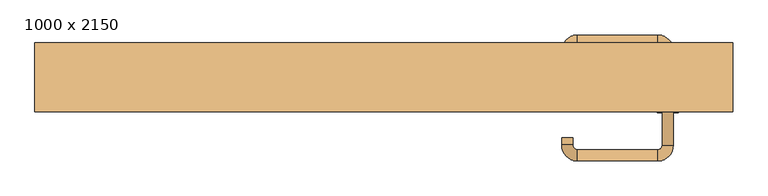
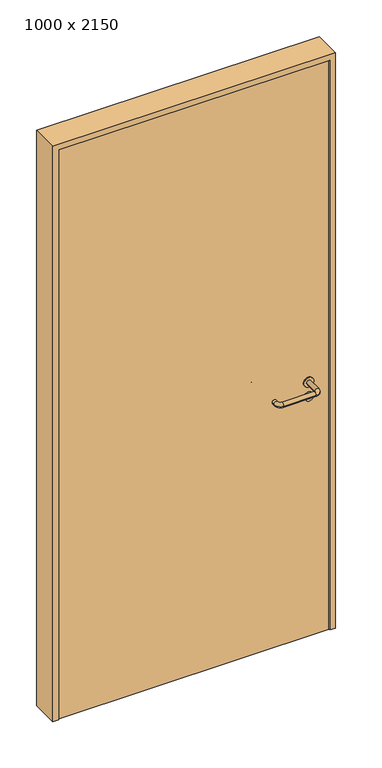
"""IFC4 building model written with IfcOpenShell, lengths in millimetres: door geometry, 1000 x 2150."""

import ifcopenshell
import ifcopenshell.guid

model = None  # the IFC model being written
_history = None  # IfcOwnerHistory: only IFC2X3 demands one
_inside = {}  # id of a spatial element -> (the spatial element, [elements in it])
_under = {}  # id of a project, library or spatial element -> (it, [spatial elements below it])
_declared = {}  # id of a project -> (the project, [libraries it declares])
_typed = {}  # id of a type object -> (the type object, [elements of that type])
_made_of = {}  # id of a material, layer set ... -> (it, [elements and type objects made of it])


def new_model(schema):
    """Start an empty IFC model of exactly this schema.

    Asked for "IFC4X3", IfcOpenShell would pick the latest addendum, in which some entities
    have other attributes; the version numbers below select the first issue.
    IFC2X3 requires an IfcOwnerHistory on every rooted entity: one is made here for all.
    """
    global model, _history
    if schema == "IFC4X3":
        model = ifcopenshell.file(schema_version=(4, 3, 0, 0))
    else:
        model = ifcopenshell.file(schema=schema)
    _inside.clear()
    _under.clear()
    _declared.clear()
    _typed.clear()
    _made_of.clear()
    _history = None
    if model.schema == "IFC2X3":
        org = make("IfcOrganization", Name="unknown")
        user = make(
            "IfcPersonAndOrganization",
            ThePerson=make("IfcPerson", FamilyName="unknown"),
            TheOrganization=org,
        )
        app = make(
            "IfcApplication",
            ApplicationDeveloper=org,
            Version="unknown",
            ApplicationFullName="unknown",
            ApplicationIdentifier="unknown",
        )
        _history = make(
            "IfcOwnerHistory",
            OwningUser=user,
            OwningApplication=app,
            ChangeAction="ADDED",
            CreationDate=0,
        )
    return model


def make(cls, **values):
    """One entity of the class cls with the attributes given. An attribute that is None is left unset."""
    return model.create_entity(
        cls, **{name: value for name, value in values.items() if value is not None}
    )


def rooted(cls, **values):
    """An entity with a GlobalId (a new one), such as an element, a storey or a relation."""
    return make(cls, GlobalId=ifcopenshell.guid.new(), OwnerHistory=_history, **values)


def si_unit(unit_type, name, prefix=None):
    """IfcSIUnit, for example si_unit("LENGTHUNIT", "METRE", prefix="MILLI")."""
    return make("IfcSIUnit", UnitType=unit_type, Prefix=prefix, Name=name)


def assignment(units):
    """IfcUnitAssignment: the units of a project."""
    return None if units is None else make("IfcUnitAssignment", Units=units)


def point(xyz):
    """IfcCartesianPoint."""
    return None if xyz is None else make("IfcCartesianPoint", Coordinates=xyz)


def direction(xyz):
    """IfcDirection."""
    return None if xyz is None else make("IfcDirection", DirectionRatios=xyz)


def frame(location, z_axis=None, x_axis=None):
    """IfcAxis2Placement3D, a coordinate frame: its origin and axes. An axis left out is left unset."""
    return make(
        "IfcAxis2Placement3D",
        Location=point(location),
        Axis=direction(z_axis),
        RefDirection=direction(x_axis),
    )


def frame_2d(location, x_axis=None):
    """IfcAxis2Placement2D, a coordinate frame in the plane: its origin and x axis."""
    return make(
        "IfcAxis2Placement2D", Location=point(location), RefDirection=direction(x_axis)
    )


def origin():
    """The frame at (0, 0, 0) with its axes left unset."""
    return frame((0.0, 0.0, 0.0))


def origin_with_axes():
    """The frame at (0, 0, 0) with the z axis (0, 0, 1) and the x axis (1, 0, 0) written out."""
    return frame((0.0, 0.0, 0.0), z_axis=(0.0, 0.0, 1.0), x_axis=(1.0, 0.0, 0.0))


def place(relative_to, where):
    """IfcLocalPlacement: puts the frame where relative to a parent placement (None: the world)."""
    return make(
        "IfcLocalPlacement", PlacementRelTo=relative_to, RelativePlacement=where
    )


def context(
    kind, dimensions, precision=None, world=None, true_north=None, identifier=None
):
    """IfcGeometricRepresentationContext, for example the 3D "Model" context."""
    return make(
        "IfcGeometricRepresentationContext",
        ContextIdentifier=identifier,
        ContextType=kind,
        CoordinateSpaceDimension=dimensions,
        Precision=precision,
        WorldCoordinateSystem=world,
        TrueNorth=true_north,
    )


def project(units=None, contexts=None):
    """IfcProject with its units and contexts."""
    return rooted(
        "IfcProject",
        Name="project",
        RepresentationContexts=contexts,
        UnitsInContext=assignment(units),
    )


def spatial(cls, under=None, at=None, **own):
    """A site, building, storey or space (cls), placed at a placement, below another one or the project."""
    s = rooted(cls, ObjectPlacement=at, **own)
    if under is not None:
        _under.setdefault(under.id(), (under, []))[1].append(s)
    return s


def polyline(points):
    """IfcPolyline through the points."""
    return make("IfcPolyline", Points=[point(p) for p in points])


def circle_curve(where, radius):
    """IfcCircle in the frame where."""
    return make("IfcCircle", Position=where, Radius=radius)


def ellipse_curve(where, semi_axis1, semi_axis2):
    """IfcEllipse in the frame where."""
    return make(
        "IfcEllipse", Position=where, SemiAxis1=semi_axis1, SemiAxis2=semi_axis2
    )


def trimmed(basis, trim1, trim2, sense, master):
    """IfcTrimmedCurve: the piece of a basis curve between two trims."""
    return make(
        "IfcTrimmedCurve",
        BasisCurve=basis,
        Trim1=trim1,
        Trim2=trim2,
        SenseAgreement=sense,
        MasterRepresentation=master,
    )


def segment(curve, same_sense, transition):
    """IfcCompositeCurveSegment."""
    return make(
        "IfcCompositeCurveSegment",
        Transition=transition,
        SameSense=same_sense,
        ParentCurve=curve,
    )


def composite_curve(segments, self_intersect=None):
    """IfcCompositeCurve: segments joined end to end."""
    return make("IfcCompositeCurve", Segments=segments, SelfIntersect=self_intersect)


def outline(outer, holes=None, kind="AREA"):
    """IfcArbitraryClosedProfileDef: a profile drawn as a closed curve; with holes, ...WithVoids."""
    if holes is None:
        return make("IfcArbitraryClosedProfileDef", ProfileType=kind, OuterCurve=outer)
    return make(
        "IfcArbitraryProfileDefWithVoids",
        ProfileType=kind,
        OuterCurve=outer,
        InnerCurves=holes,
    )


def extrude(swept, where, along, depth):
    """IfcExtrudedAreaSolid: the profile swept, set in the frame where, extruded along a direction by depth."""
    return make(
        "IfcExtrudedAreaSolid",
        SweptArea=swept,
        Position=where,
        ExtrudedDirection=direction(along),
        Depth=depth,
    )


def shape(context_of_items, identifier, shape_type, items):
    """IfcShapeRepresentation: the items that make up one representation, for example the "Body"."""
    return make(
        "IfcShapeRepresentation",
        ContextOfItems=context_of_items,
        RepresentationIdentifier=identifier,
        RepresentationType=shape_type,
        Items=items,
    )


def source(mapping_origin, context_of_items, identifier, shape_type, items):
    """IfcRepresentationMap: a shape defined once, which mapped items show again and again."""
    return make(
        "IfcRepresentationMap",
        MappingOrigin=mapping_origin,
        MappedRepresentation=shape(context_of_items, identifier, shape_type, items),
    )


def transform(
    local_origin,
    x_axis=None,
    y_axis=None,
    z_axis=None,
    scale=None,
    scale2=None,
    scale3=None,
    uniform=True,
):
    """IfcCartesianTransformationOperator3D, or its non-uniform kind. x_axis, y_axis, z_axis: its Axis1, 2, 3."""
    if uniform:
        return make(
            "IfcCartesianTransformationOperator3D",
            Axis1=direction(x_axis),
            Axis2=direction(y_axis),
            LocalOrigin=point(local_origin),
            Scale=scale,
            Axis3=direction(z_axis),
        )
    return make(
        "IfcCartesianTransformationOperator3DnonUniform",
        Axis1=direction(x_axis),
        Axis2=direction(y_axis),
        LocalOrigin=point(local_origin),
        Scale=scale,
        Axis3=direction(z_axis),
        Scale2=scale2,
        Scale3=scale3,
    )


def mapped(mapping_source, mapping_target):
    """IfcMappedItem: shows the shape of a source again, moved by a transform."""
    return make(
        "IfcMappedItem", MappingSource=mapping_source, MappingTarget=mapping_target
    )


def made_of(thing, what):
    """Note that an element or type object is made of a material, layer set ...; save() writes the relation."""
    if what is not None:
        _made_of.setdefault(what.id(), (what, []))[1].append(thing)
    return thing


def element(
    cls,
    number,
    at=None,
    inside=None,
    cuts=None,
    type_object=None,
    material=None,
    context=None,
    identifier="Body",
    shape_type=None,
    held_by="IfcProductDefinitionShape",
    body=None,
    shapes=None,
    **own,
):
    """One element of the class cls, such as IfcWall. Its Tag is "e" and its number.

    at: its placement. inside: the storey or other place that contains it. cuts: it is an
    opening in that element (IfcRelVoidsElement). A single representation is given by context,
    identifier, shape_type and body (its items); several are given by shapes. held_by: the class
    of the entity that holds the representations. save() writes the other relations.
    """
    e = rooted(cls, Tag="e%d" % number, ObjectPlacement=at, **own)
    if body is not None:
        shapes = [shape(context, identifier, shape_type, body)]
    if shapes is not None:
        e.Representation = make(held_by, Representations=shapes)
    if inside is not None:
        _inside.setdefault(inside.id(), (inside, []))[1].append(e)
    if cuts is not None:
        rooted(
            "IfcRelVoidsElement", RelatingBuildingElement=cuts, RelatedOpeningElement=e
        )
    if type_object is not None:
        _typed.setdefault(type_object.id(), (type_object, []))[1].append(e)
    return made_of(e, material)


def aggregate(whole, parts):
    """IfcRelAggregates: a whole, such as a stair, and the parts it consists of."""
    return rooted("IfcRelAggregates", RelatingObject=whole, RelatedObjects=parts)


def save(model, path):
    """Write the relations noted so far, then the file.

    IfcRelAggregates (storeys below a building ...), IfcRelContainedInSpatialStructure (elements
    in a storey), IfcRelDefinesByType, IfcRelAssociatesMaterial and IfcRelDeclares: one each for
    every whole, place, type object, material and project.
    """
    for whole, parts in _under.values():
        aggregate(whole, parts)
    for where, things in _inside.values():
        rooted(
            "IfcRelContainedInSpatialStructure",
            RelatedElements=things,
            RelatingStructure=where,
        )
    for kind, things in _typed.values():
        rooted("IfcRelDefinesByType", RelatedObjects=things, RelatingType=kind)
    for what, things in _made_of.values():
        rooted("IfcRelAssociatesMaterial", RelatedObjects=things, RelatingMaterial=what)
    for by, libraries in _declared.values():
        rooted("IfcRelDeclares", RelatingContext=by, RelatedDefinitions=libraries)
    model.write(path)


def plane_surface(at):
    """IfcPlane: the flat surface through the origin of the frame at, square to its z axis."""
    return make("IfcPlane", Position=at)


def cylinder_surface(at, radius):
    """IfcCylindricalSurface: all points at the distance radius from the z axis of the frame at."""
    return make("IfcCylindricalSurface", Position=at, Radius=radius)


def revolved_surface(curve, axis_point, axis_direction):
    """IfcSurfaceOfRevolution: the curve turned about the line through axis_point along axis_direction."""
    return make(
        "IfcSurfaceOfRevolution",
        SweptCurve=make("IfcArbitraryOpenProfileDef", ProfileType="CURVE", Curve=curve),
        AxisPosition=make("IfcAxis1Placement", Location=point(axis_point), Axis=direction(axis_direction)),
    )


def advanced_brep(points, edges, surfaces, faces):
    """IfcAdvancedBrep: a solid bounded by faces that lie on surfaces and meet in shared edges.

    An edge is (start, end): straight between two places in points (the first is 0);
    or (start, end, curve); or (start, end, curve, False) where it runs against its curve.
    A face is (place in surfaces, loops), or (place, loops, False) where it looks against
    its surface's normal. A loop lists edges by number (the first is 1), with a minus sign
    where the edge is run from its end to its start. The first loop is the outer one.
    """
    corners = [point(p) for p in points]
    vertices = [make("IfcVertexPoint", VertexGeometry=c) for c in corners]
    made = []
    for start, end, *more in edges:
        made.append(
            make(
                "IfcEdgeCurve",
                EdgeStart=vertices[start],
                EdgeEnd=vertices[end],
                EdgeGeometry=more[0] if more else make("IfcPolyline", Points=[corners[start], corners[end]]),
                SameSense=more[1] if len(more) > 1 else True,
            )
        )
    hull = []
    for where, loops, *sense in faces:
        bounds = []
        for j, loop in enumerate(loops):
            ring = [make("IfcOrientedEdge", EdgeElement=made[abs(k) - 1], Orientation=k > 0) for k in loop]
            bounds.append(
                make(
                    "IfcFaceOuterBound" if j == 0 else "IfcFaceBound",
                    Bound=make("IfcEdgeLoop", EdgeList=ring),
                    Orientation=True,
                )
            )
        hull.append(make("IfcAdvancedFace", Bounds=bounds, FaceSurface=surfaces[where], SameSense=sense[0] if sense else True))
    return make("IfcAdvancedBrep", Outer=make("IfcClosedShell", CfsFaces=hull))


def door_1000_x_2150_21de675c(model_context):
    return source(origin(), model_context, "Body", "SolidModel", [
        extrude(outline(composite_curve([segment(trimmed(circle_curve(frame_2d((897.3605726, 407.0)), 15.0), [point((897.3605726, 422.0))], [point((897.3605726, 392.0))], False, "CARTESIAN"), True, "CONTINUOUS"), segment(trimmed(circle_curve(frame_2d((897.3605726, 407.0)), 15.0), [point((897.3605726, 392.0))], [point((897.3605726, 422.0))], False, "CARTESIAN"), True, "CONTINUOUS")], self_intersect=False), holes=[composite_curve([segment(trimmed(circle_curve(frame_2d((892.5833211, 406.9398032)), 2.0), [point((892.5833211, 408.9398032))], [point((892.5833211, 404.9398032))], True, "CARTESIAN"), True, "CONTINUOUS"), segment(polyline([(892.5833211, 404.9398032), (902.5833211, 404.9398032)]), True, "CONTINUOUS"), segment(trimmed(circle_curve(frame_2d((902.5833211, 406.9398032)), 2.0), [point((902.5833211, 404.9398032))], [point((902.5833211, 408.9398032))], True, "CARTESIAN"), True, "CONTINUOUS"), segment(polyline([(902.5833211, 408.9398032), (892.5833211, 408.9398032)]), True, "CONTINUOUS")], self_intersect=False)]), frame((0.0, -15.0, 0.0), z_axis=(0.0, 1.0, 0.0), x_axis=(0.0, 0.0, 1.0)), (0.0, 0.0, 1.0), 6.35),
        extrude(outline(composite_curve([segment(trimmed(circle_curve(frame_2d((950.0, 407.0)), 17.526), [point((950.0, 424.526))], [point((950.0, 389.474))], False, "CARTESIAN"), True, "CONTINUOUS"), segment(trimmed(circle_curve(frame_2d((950.0, 407.0)), 17.526), [point((950.0, 389.474))], [point((950.0, 424.526))], False, "CARTESIAN"), True, "CONTINUOUS")], self_intersect=False)), frame((0.0, -15.0, 0.0), z_axis=(0.0, 1.0, 0.0), x_axis=(0.0, 0.0, 1.0)), (0.0, 0.0, 1.0), 3.175),
        advanced_brep(
        [(415.0, -15.0, 950.0), (399.0, -15.0, 950.0), (415.0, 38.0, 950.0), (399.0, 38.0, 950.0), (392.8578644, 44.1421356, 950.0), (392.8578644, 60.1421356, 950.0), (277.8578644, 60.1421356, 950.0), (277.8578644, 44.1421356, 950.0), (271.008622, 37.2928932, 950.0), (255.008622, 37.2928932, 950.0), (255.008622, 27.2928932, 950.0), (271.008622, 27.2928932, 950.0)],
        [
            (0, 1, circle_curve(frame((407.0, -15.0, 950.0), z_axis=(0.0, -1.0, 0.0), x_axis=(-1.0, 0.0, 0.0)), 8.0)),
            (1, 0, circle_curve(frame((407.0, -15.0, 950.0), z_axis=(0.0, -1.0, 0.0), x_axis=(-1.0, 0.0, 0.0)), 8.0)),
            (0, 2),
            (2, 3, circle_curve(frame((407.0, 38.0, 950.0), z_axis=(0.0, -1.0, 0.0), x_axis=(-1.0, 0.0, 0.0)), 8.0)),
            (3, 1),
            (3, 2, circle_curve(frame((407.0, 38.0, 950.0), z_axis=(0.0, -1.0, 0.0), x_axis=(-1.0, 0.0, 0.0)), 8.0)),
            (4, 3, circle_curve(frame((392.8578644, 38.0, 950.0), z_axis=(0.0, 0.0, -1.0), x_axis=(1.0, 0.0, 0.0)), 6.1421356)),
            (2, 5, circle_curve(frame((392.8578644, 38.0, 950.0), z_axis=(0.0, 0.0, 1.0), x_axis=(1.0, 0.0, 0.0)), 22.1421356)),
            (5, 4, circle_curve(frame((392.8578644, 52.1421356, 950.0), z_axis=(1.0, 0.0, 0.0), x_axis=(0.0, -1.0, 0.0)), 8.0)),
            (4, 5, circle_curve(frame((392.8578644, 52.1421356, 950.0), z_axis=(1.0, 0.0, 0.0), x_axis=(0.0, -1.0, 0.0)), 8.0)),
            (5, 6),
            (6, 7, circle_curve(frame((277.8578644, 52.1421356, 950.0), z_axis=(1.0, 0.0, 0.0), x_axis=(0.0, -1.0, 0.0)), 8.0)),
            (7, 4),
            (7, 6, circle_curve(frame((277.8578644, 52.1421356, 950.0), z_axis=(1.0, 0.0, 0.0), x_axis=(0.0, -1.0, 0.0)), 8.0)),
            (8, 7, circle_curve(frame((277.8578644, 37.2928932, 950.0), z_axis=(0.0, 0.0, -1.0), x_axis=(0.0, 1.0, 0.0)), 6.8492424)),
            (6, 9, circle_curve(frame((277.8578644, 37.2928932, 950.0), z_axis=(0.0, 0.0, 1.0), x_axis=(0.0, 1.0, 0.0)), 22.8492424)),
            (9, 8, circle_curve(frame((263.008622, 37.2928932, 950.0), z_axis=(0.0, 1.0, 0.0), x_axis=(1.0, 0.0, 0.0)), 8.0)),
            (8, 9, circle_curve(frame((263.008622, 37.2928932, 950.0), z_axis=(0.0, 1.0, 0.0), x_axis=(1.0, 0.0, 0.0)), 8.0)),
            (10, 11, circle_curve(frame((263.008622, 27.2928932, 950.0), z_axis=(0.0, -1.0, 0.0), x_axis=(1.0, 0.0, 0.0)), 8.0)),
            (11, 10, circle_curve(frame((263.008622, 27.2928932, 950.0), z_axis=(0.0, -1.0, 0.0), x_axis=(1.0, 0.0, 0.0)), 8.0)),
            (9, 10),
            (11, 8),
        ],
        [
            plane_surface(frame((407.0, -15.0, 0.0), z_axis=(0.0, -1.0, 0.0), x_axis=(0.0, 0.0, 1.0))),
            cylinder_surface(frame((407.0, -15.0, 950.0), z_axis=(0.0, -1.0, 0.0), x_axis=(-1.0, 0.0, 0.0)), 8.0),
            revolved_surface(trimmed(ellipse_curve(frame((407.0, 38.0, 950.0), z_axis=(0.0, -1.0, 0.0), x_axis=(-1.0, 0.0, 0.0)), 8.0, 8.0), [point((415.0, 38.0, 950.0))], [point((399.0, 38.0, 950.0))], True, "CARTESIAN"), (392.8578644, 38.0, 0.0), (0.0, 0.0, 1.0)),
            revolved_surface(trimmed(ellipse_curve(frame((407.0, 38.0, 950.0), z_axis=(0.0, -1.0, 0.0), x_axis=(-1.0, 0.0, 0.0)), 8.0, 8.0), [point((399.0, 38.0, 950.0))], [point((415.0, 38.0, 950.0))], True, "CARTESIAN"), (392.8578644, 38.0, 0.0), (0.0, 0.0, 1.0)),
            cylinder_surface(frame((392.8578644, 52.1421356, 950.0), z_axis=(1.0, 0.0, 0.0), x_axis=(0.0, -1.0, 0.0)), 8.0),
            revolved_surface(trimmed(ellipse_curve(frame((277.8578644, 52.1421356, 950.0), z_axis=(1.0, 0.0, 0.0), x_axis=(0.0, -1.0, 0.0)), 8.0, 8.0), [point((277.8578644, 60.1421356, 950.0))], [point((277.8578644, 44.1421356, 950.0))], True, "CARTESIAN"), (277.8578644, 37.2928932, 0.0), (0.0, 0.0, 1.0)),
            revolved_surface(trimmed(ellipse_curve(frame((277.8578644, 52.1421356, 950.0), z_axis=(1.0, 0.0, 0.0), x_axis=(0.0, -1.0, 0.0)), 8.0, 8.0), [point((277.8578644, 44.1421356, 950.0))], [point((277.8578644, 60.1421356, 950.0))], True, "CARTESIAN"), (277.8578644, 37.2928932, 0.0), (0.0, 0.0, 1.0)),
            plane_surface(frame((263.008622, 27.2928932, 0.0), z_axis=(0.0, -1.0, 0.0), x_axis=(0.0, 0.0, 1.0))),
            cylinder_surface(frame((263.008622, 37.2928932, 950.0), z_axis=(0.0, 1.0, 0.0), x_axis=(1.0, 0.0, 0.0)), 8.0),
        ],
        [
            (0, [[1, 2]]),
            (1, [[-1, 3, 4, 5]]),
            (1, [[-2, -5, 6, -3]]),
            (2, [[7, -4, 8, 9]]),
            (3, [[-8, -6, -7, 10]]),
            (4, [[-9, 11, 12, 13]]),
            (4, [[-10, -13, 14, -11]]),
            (5, [[15, -12, 16, 17]]),
            (6, [[-16, -14, -15, 18]]),
            (7, [[19, 20]]),
            (8, [[-17, 21, -20, 22]]),
            (8, [[-18, -22, -19, -21]]),
        ],
    ),
        extrude(outline(composite_curve([segment(trimmed(circle_curve(frame_2d((0.0, 15.0)), 15.0), [point((0.0, 30.0))], [point((0.0, 0.0))], False, "CARTESIAN"), True, "CONTINUOUS"), segment(trimmed(circle_curve(frame_2d((0.0, 15.0)), 15.0), [point((0.0, 0.0))], [point((0.0, 30.0))], False, "CARTESIAN"), True, "CONTINUOUS")], self_intersect=False), holes=[composite_curve([segment(trimmed(circle_curve(frame_2d((-4.7772515, 14.9398032)), 2.0), [point((-4.7772515, 16.9398032))], [point((-4.7772515, 12.9398032))], True, "CARTESIAN"), True, "CONTINUOUS"), segment(polyline([(-4.7772515, 12.9398032), (5.2227485, 12.9398032)]), True, "CONTINUOUS"), segment(trimmed(circle_curve(frame_2d((5.2227485, 14.9398032)), 2.0), [point((5.2227485, 12.9398032))], [point((5.2227485, 16.9398032))], True, "CARTESIAN"), True, "CONTINUOUS"), segment(polyline([(5.2227485, 16.9398032), (-4.7772515, 16.9398032)]), True, "CONTINUOUS")], self_intersect=False)]), frame((392.0, -51.35, 897.3605726), z_axis=(-1.8870575173328306e-12, 1.0, 0.0), x_axis=(0.0, 0.0, 1.0)), (0.0, 0.0, 1.0), 6.35),
        extrude(outline(composite_curve([segment(trimmed(circle_curve(frame_2d((0.0, 17.526)), 17.526), [point((0.0, 35.052))], [point((0.0, 0.0))], False, "CARTESIAN"), True, "CONTINUOUS"), segment(trimmed(circle_curve(frame_2d((0.0, 17.526)), 17.526), [point((0.0, 0.0))], [point((0.0, 35.052))], False, "CARTESIAN"), True, "CONTINUOUS")], self_intersect=False)), frame((389.474, -48.175, 950.0), z_axis=(-1.8870575173328306e-12, 1.0, 0.0), x_axis=(0.0, 0.0, 1.0)), (0.0, 0.0, 1.0), 3.175),
        advanced_brep(
        [(415.0, -45.0, 950.0), (399.0, -45.0, 950.0), (399.0, -98.0, 950.0), (415.0, -98.0, 950.0), (392.8578644, -104.1421356, 950.0), (392.8578644, -120.1421356, 950.0), (277.8578644, -104.1421356, 950.0), (277.8578644, -120.1421356, 950.0), (271.008622, -97.2928932, 950.0), (255.008622, -97.2928932, 950.0), (255.008622, -87.2928932, 950.0), (271.008622, -87.2928932, 950.0)],
        [
            (0, 1, circle_curve(frame((407.0, -45.0, 950.0), z_axis=(-1.888672253512351e-12, 1.0, 0.0), x_axis=(-1.0, -1.888672253512351e-12, 0.0)), 8.0)),
            (1, 0, circle_curve(frame((407.0, -45.0, 950.0), z_axis=(-1.888672253512351e-12, 1.0, 0.0), x_axis=(-1.0, -1.888672253512351e-12, 0.0)), 8.0)),
            (1, 2),
            (2, 3, circle_curve(frame((407.0, -98.0, 950.0), z_axis=(-1.888672253512351e-12, 1.0, 0.0), x_axis=(-1.0, -1.888672253512351e-12, 0.0)), 8.0)),
            (3, 0),
            (3, 2, circle_curve(frame((407.0, -98.0, 950.0), z_axis=(-1.888672253512351e-12, 1.0, 0.0), x_axis=(-1.0, -1.888672253512351e-12, 0.0)), 8.0)),
            (4, 5, circle_curve(frame((392.8578644, -112.1421356, 950.0), z_axis=(1.0, 1.913702061528922e-12, 0.0), x_axis=(-1.913702061528922e-12, 1.0, 0.0)), 8.0)),
            (5, 3, circle_curve(frame((392.8578644, -98.0, 950.0), z_axis=(0.0, 0.0, 1.0), x_axis=(1.0, 1.880717803715015e-12, 0.0)), 22.1421356)),
            (2, 4, circle_curve(frame((392.8578644, -98.0, 950.0), z_axis=(0.0, 0.0, -1.0), x_axis=(1.0, 1.880717803715015e-12, 0.0)), 6.1421356)),
            (5, 4, circle_curve(frame((392.8578644, -112.1421356, 950.0), z_axis=(1.0, 1.913702061528922e-12, 0.0), x_axis=(-1.913702061528922e-12, 1.0, 0.0)), 8.0)),
            (4, 6),
            (6, 7, circle_curve(frame((277.8578644, -112.1421356, 950.0), z_axis=(1.0, 1.913719828541269e-12, 0.0), x_axis=(-1.913719828541269e-12, 1.0, 0.0)), 8.0)),
            (7, 5),
            (7, 6, circle_curve(frame((277.8578644, -112.1421356, 950.0), z_axis=(1.0, 1.913719828541269e-12, 0.0), x_axis=(-1.913719828541269e-12, 1.0, 0.0)), 8.0)),
            (8, 9, circle_curve(frame((263.008622, -97.2928932, 950.0), z_axis=(1.8888942981172756e-12, -1.0, 0.0), x_axis=(1.0, 1.8888942981172756e-12, 0.0)), 8.0)),
            (9, 7, circle_curve(frame((277.8578644, -97.2928932, 950.0), z_axis=(0.0, 0.0, 1.0), x_axis=(1.9120873253494017e-12, -1.0, 0.0)), 22.8492424)),
            (6, 8, circle_curve(frame((277.8578644, -97.2928932, 950.0), z_axis=(0.0, 0.0, -1.0), x_axis=(1.9120873253494017e-12, -1.0, 0.0)), 6.8492424)),
            (9, 8, circle_curve(frame((263.008622, -97.2928932, 950.0), z_axis=(1.890448610351751e-12, -1.0, 0.0), x_axis=(1.0, 1.890448610351751e-12, 0.0)), 8.0)),
            (10, 11, circle_curve(frame((263.008622, -87.2928932, 950.0), z_axis=(-1.8903642334018795e-12, 1.0, 0.0), x_axis=(1.0, 1.8903642334018795e-12, 0.0)), 8.0)),
            (11, 10, circle_curve(frame((263.008622, -87.2928932, 950.0), z_axis=(-1.8903642334018795e-12, 1.0, 0.0), x_axis=(1.0, 1.8903642334018795e-12, 0.0)), 8.0)),
            (8, 11),
            (10, 9),
        ],
        [
            plane_surface(frame((407.0, -45.0, 0.0), z_axis=(-1.8870575173328306e-12, 1.0, 0.0), x_axis=(0.0, 0.0, 1.0))),
            cylinder_surface(frame((407.0, -45.0, 950.0), z_axis=(-1.888672253512351e-12, 1.0, 0.0), x_axis=(-1.0, -1.888672253512351e-12, 0.0)), 8.0),
            revolved_surface(trimmed(ellipse_curve(frame((407.0, -98.0, 950.0), z_axis=(1.8823325398945356e-12, -1.0, 0.0), x_axis=(-1.0, -1.8823325398945356e-12, 0.0)), 8.0, 8.0), [point((415.0, -98.0, 950.0))], [point((399.0, -98.0, 950.0))], True, "CARTESIAN"), (392.8578644, -98.0, 0.0), (0.0, 0.0, 1.0)),
            revolved_surface(trimmed(ellipse_curve(frame((407.0, -98.0, 950.0), z_axis=(1.8823325398945356e-12, -1.0, 0.0), x_axis=(-1.0, -1.8823325398945356e-12, 0.0)), 8.0, 8.0), [point((399.0, -98.0, 950.0))], [point((415.0, -98.0, 950.0))], True, "CARTESIAN"), (392.8578644, -98.0, 0.0), (0.0, 0.0, 1.0)),
            cylinder_surface(frame((392.8578644, -112.1421356, 950.0), z_axis=(1.0, 1.913719828541269e-12, 0.0), x_axis=(-1.913719828541269e-12, 1.0, 0.0)), 8.0),
            revolved_surface(trimmed(ellipse_curve(frame((277.8578644, -112.1421356, 950.0), z_axis=(-1.0, -1.913702061528922e-12, 0.0), x_axis=(-1.913702061528922e-12, 1.0, 0.0)), 8.0, 8.0), [point((277.8578644, -120.1421356, 950.0))], [point((277.8578644, -104.1421356, 950.0))], True, "CARTESIAN"), (277.8578644, -97.2928932, 0.0), (0.0, 0.0, 1.0)),
            revolved_surface(trimmed(ellipse_curve(frame((277.8578644, -112.1421356, 950.0), z_axis=(-1.0, -1.913702061528922e-12, 0.0), x_axis=(-1.913702061528922e-12, 1.0, 0.0)), 8.0, 8.0), [point((277.8578644, -104.1421356, 950.0))], [point((277.8578644, -120.1421356, 950.0))], True, "CARTESIAN"), (277.8578644, -97.2928932, 0.0), (0.0, 0.0, 1.0)),
            plane_surface(frame((263.008622, -87.2928932, 0.0), z_axis=(-1.8887494972223595e-12, 1.0, 0.0), x_axis=(0.0, 0.0, 1.0))),
            cylinder_surface(frame((263.008622, -97.2928932, 950.0), z_axis=(1.8903642334018795e-12, -1.0, 0.0), x_axis=(1.0, 1.8903642334018795e-12, 0.0)), 8.0),
        ],
        [
            (0, [[1, 2]]),
            (1, [[3, 4, 5, -2]]),
            (1, [[-5, 6, -3, -1]]),
            (2, [[7, 8, -4, 9]]),
            (3, [[10, -9, -6, -8]]),
            (4, [[11, 12, 13, -7]]),
            (4, [[-13, 14, -11, -10]]),
            (5, [[15, 16, -12, 17]]),
            (6, [[18, -17, -14, -16]]),
            (7, [[19, 20]]),
            (8, [[21, -19, 22, -15]]),
            (8, [[-22, -20, -21, -18]]),
        ],
    ),
        extrude(outline(polyline([(2130.0, 480.0), (0.0, 480.0), (0.0, 500.0), (2150.0, 500.0), (2150.0, -500.0), (0.0, -500.0), (0.0, -480.0), (2130.0, -480.0), (2130.0, 480.0)])), frame((0.0, -50.0, 0.0), z_axis=(0.0, 1.0, 0.0), x_axis=(0.0, 0.0, 1.0)), (0.0, 0.0, 1.0), 99.0),
        extrude(outline(polyline([(-480.0, -45.0), (-480.0, -15.0), (480.0, -15.0), (480.0, -45.0), (-480.0, -45.0)])), origin_with_axes(), (0.0, 0.0, 1.0), 2130.0),
    ])


if __name__ == "__main__":
    model = new_model("IFC4")
    model_context = context("Model", 3, world=origin())
    ifc_project = project(units=[si_unit("LENGTHUNIT", "METRE", prefix="MILLI")], contexts=[model_context])
    site = spatial("IfcSite", under=ifc_project)
    building = spatial("IfcBuilding", under=site)
    placement = place(None, origin())
    door_1000_x_2150_shape = door_1000_x_2150_21de675c(model_context)
    element("IfcDoor", 1, ObjectType="1000 x 2150", at=placement, inside=building, context=model_context, shape_type="MappedRepresentation", body=[
        mapped(door_1000_x_2150_shape, transform((0.0, 0.0, 0.0), x_axis=(1.0, 0.0, 0.0), y_axis=(0.0, 1.0, 0.0), z_axis=(0.0, 0.0, 1.0))),
    ])
    save(model, "model.ifc")
